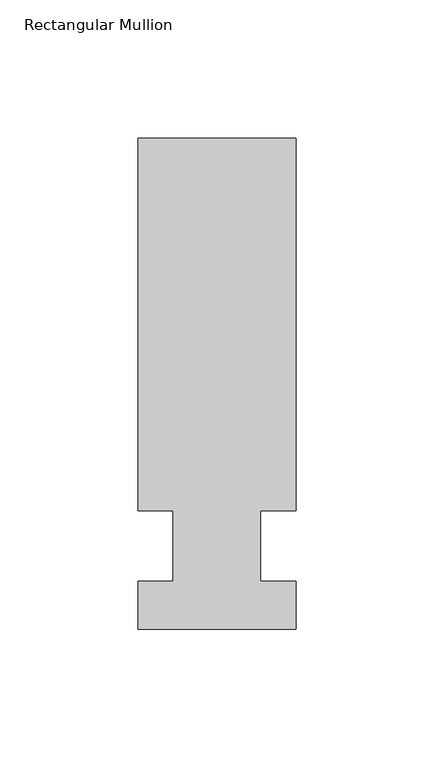
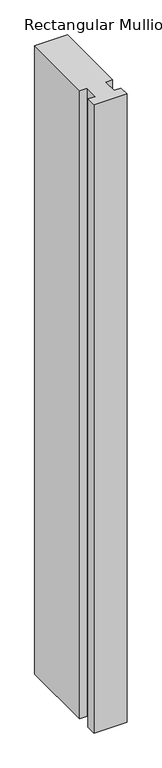
"""IFC4 building model written with IfcOpenShell, lengths in millimetres: member geometry, Rectangular Mullion."""

from ifc_helpers import new_model, si_unit, frame, origin, place, context, project, spatial, polyline, outline, extrude, source, transform, mapped, element, save


def rectangular_mullion_9196b3bf(model_context):
    return source(origin(), model_context, "Body", "SweptSolid", [
        extrude(outline(polyline([(28.575, 147.6375), (28.575, 12.7), (15.8732296, 12.7), (15.8732296, -12.7), (28.575, -12.7), (28.575, -30.1625), (-28.575, -30.1625), (-28.575, -12.7), (-15.875, -12.7), (-15.875, 12.7), (-28.575, 12.7), (-28.575, 147.6375), (28.575, 147.6375)])), frame((0.0, 0.0, -1150.5094027), z_axis=(0.0, 0.0, 1.0), x_axis=(1.0, 0.0, 0.0)), (0.0, 0.0, 1.0), 1150.5094027),
    ])


if __name__ == "__main__":
    model = new_model("IFC4")
    model_context = context("Model", 3, world=origin())
    ifc_project = project(units=[si_unit("LENGTHUNIT", "METRE", prefix="MILLI")], contexts=[model_context])
    site = spatial("IfcSite", under=ifc_project)
    building = spatial("IfcBuilding", under=site)
    placement = place(None, origin())
    rectangular_mullion_shape = rectangular_mullion_9196b3bf(model_context)
    element("IfcMember", 1, ObjectType="Rectangular Mullion", at=placement, inside=building, context=model_context, shape_type="MappedRepresentation", body=[
        mapped(rectangular_mullion_shape, transform((0.0, 0.0, 0.0), x_axis=(1.0, 0.0, 0.0), y_axis=(0.0, 1.0, 0.0), z_axis=(0.0, 0.0, 1.0))),
    ])
    save(model, "model.ifc")
